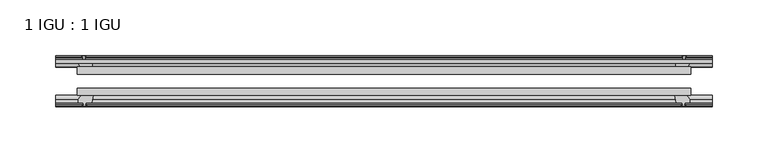
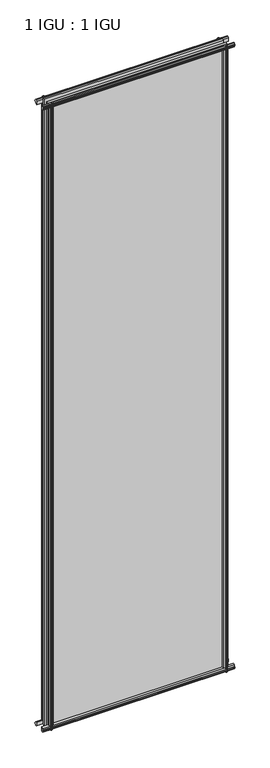
"""IFC4 building model written with IfcOpenShell, lengths in millimetres: plate geometry, 1 IGU : 1 IGU."""

from ifc_helpers import new_model, si_unit, frame, origin, place, context, project, spatial, polyline, outline, extrude, source, transform, mapped, element, save


def plate_1_igu_1_igu_fdf1e140(model_context):
    return source(origin(), model_context, "Body", "SweptSolid", [
        extrude(outline(polyline([(-273.8244096, -38.6468937), (273.8244096, -38.6468937), (273.8244096, -44.9460938), (-273.8244096, -44.9460938), (-273.8244096, -38.6468937)])), frame((0.0, 0.0, -12.7), z_axis=(0.0, 0.0, 1.0), x_axis=(1.0, 0.0, 0.0)), (0.0, 0.0, 1.0), 2019.2872996),
        extrude(outline(polyline([(-273.8244096, -19.5460937), (273.8244096, -19.5460937), (273.8244096, -25.8960938), (-273.8244096, -25.8960938), (-273.8244096, -19.5460937)])), frame((0.0, 0.0, -12.7), z_axis=(0.0, 0.0, 1.0), x_axis=(1.0, 0.0, 0.0)), (0.0, 0.0, 1.0), 2019.2872996),
        extrude(outline(polyline([(-44.9460937, 1.7177181), (-44.9460937, -9.1036578), (-48.3496937, -11.938), (-51.2960937, -11.938), (-51.2960937, -7.493), (-53.6762907, -7.112), (-53.2163575, -8.5275291), (-54.0175717, -8.5275291), (-54.7250937, -6.35), (-54.0175717, -4.1724709), (-53.2163575, -4.1724709), (-53.6762907, -5.588), (-51.2960937, -5.207), (-51.2960937, 0.0), (-44.9460937, 1.7177181)])), frame((-292.8744096, 0.0, 0.0), z_axis=(1.0, 0.0, 0.0), x_axis=(0.0, 1.0, 0.0)), (0.0, 0.0, 1.0), 585.7488192),
        extrude(outline(polyline([(-13.1960937, -12.4587), (-16.1424937, -12.4587), (-19.5460937, -9.6243578), (-19.5460937, 1.1970181), (-13.1960937, -0.5207), (-13.1960937, -5.7277), (-10.8158968, -6.1087), (-11.27583, -4.6931709), (-10.4746158, -4.6931709), (-9.7670937, -6.8707), (-10.4746158, -9.0482291), (-11.27583, -9.0482291), (-10.8158968, -7.6327), (-13.1960937, -8.0137), (-13.1960937, -12.4587)])), frame((-292.8744096, 0.0, 0.0), z_axis=(1.0, 0.0, 0.0), x_axis=(0.0, 1.0, 0.0)), (0.0, 0.0, 1.0), 585.7488192),
        extrude(outline(polyline([(-51.2960937, 2005.8252996), (-48.3496937, 2005.8252996), (-44.9460937, 2002.9909574), (-44.9460937, 1992.1695815), (-51.2960937, 1993.8872996), (-51.2960937, 1999.0942996), (-53.6762907, 1999.4752996), (-53.2163575, 1998.0597705), (-54.0175717, 1998.0597705), (-54.7250937, 2000.2372996), (-54.0175717, 2002.4148286), (-53.2163575, 2002.4148286), (-53.6762907, 2000.9992996), (-51.2960937, 2001.3802996), (-51.2960937, 2005.8252996)])), frame((-292.8744096, 0.0, 0.0), z_axis=(1.0, 0.0, 0.0), x_axis=(0.0, 1.0, 0.0)), (0.0, 0.0, 1.0), 585.7488192),
        extrude(outline(polyline([(-19.5460937, 1992.6902815), (-19.5460937, 2003.5116574), (-16.1424937, 2006.3459996), (-13.1960937, 2006.3459996), (-13.1960937, 2001.9009996), (-10.8158968, 2001.5199996), (-11.27583, 2002.9355286), (-10.4746158, 2002.9355286), (-9.7670937, 2000.7579996), (-10.4746158, 1998.5804705), (-11.27583, 1998.5804705), (-10.8158968, 1999.9959996), (-13.1960937, 1999.6149996), (-13.1960937, 1994.4079996), (-19.5460937, 1992.6902815)])), frame((-292.8744096, 0.0, 0.0), z_axis=(1.0, 0.0, 0.0), x_axis=(0.0, 1.0, 0.0)), (0.0, 0.0, 1.0), 585.7488192),
        extrude(outline(polyline([(259.9273915, -19.5460938), (261.6451096, -13.1960938), (266.8521096, -13.1960938), (267.2331096, -10.8158968), (265.8175805, -11.27583), (265.8175805, -10.4746158), (267.9951096, -9.7670938), (270.1726386, -10.4746158), (270.1726386, -11.27583), (268.7571096, -10.8158968), (269.1381096, -13.1960938), (273.5831096, -13.1960938), (273.5831096, -16.1424938), (270.7487674, -19.5460938), (259.9273915, -19.5460938)])), frame((0.0, 0.0, -12.7), z_axis=(0.0, 0.0, 1.0), x_axis=(1.0, 0.0, 0.0)), (0.0, 0.0, 1.0), 2019.2872997),
        extrude(outline(polyline([(259.4066915, -44.9460938), (270.2280674, -44.9460938), (273.0624096, -48.3496938), (273.0624096, -51.2960938), (268.6174096, -51.2960938), (268.2364096, -53.6762907), (269.6519386, -53.2163575), (269.6519386, -54.0175717), (267.4744096, -54.7250938), (265.2968805, -54.0175717), (265.2968805, -53.2163575), (266.7124096, -53.6762907), (266.3314096, -51.2960938), (261.1244096, -51.2960938), (259.4066915, -44.9460938)])), frame((0.0, 0.0, -12.7), z_axis=(0.0, 0.0, 1.0), x_axis=(1.0, 0.0, 0.0)), (0.0, 0.0, 1.0), 2019.2872997),
        extrude(outline(polyline([(-267.9951096, -9.7670937), (-265.8175805, -10.4746158), (-265.8175805, -11.27583), (-267.2331096, -10.8158968), (-266.8521096, -13.1960937), (-261.6451096, -13.1960937), (-259.9273915, -19.5460937), (-270.7487674, -19.5460937), (-273.5831096, -16.1424937), (-273.5831096, -13.1960937), (-269.1381096, -13.1960937), (-268.7571096, -10.8158968), (-270.1726386, -11.27583), (-270.1726386, -10.4746158), (-267.9951096, -9.7670937)])), frame((0.0, 0.0, -12.7), z_axis=(0.0, 0.0, 1.0), x_axis=(1.0, 0.0, 0.0)), (0.0, 0.0, 1.0), 2019.2872997),
        extrude(outline(polyline([(-273.0624096, -48.3496937), (-270.2280674, -44.9460937), (-259.4066915, -44.9460937), (-261.1244096, -51.2960937), (-266.3314096, -51.2960937), (-266.7124096, -53.6762907), (-265.2968805, -53.2163575), (-265.2968805, -54.0175717), (-267.4744096, -54.7250937), (-269.6519386, -54.0175717), (-269.6519386, -53.2163575), (-268.2364096, -53.6762907), (-268.6174096, -51.2960937), (-273.0624096, -51.2960937), (-273.0624096, -48.3496937)])), frame((0.0, 0.0, -12.7), z_axis=(0.0, 0.0, 1.0), x_axis=(1.0, 0.0, 0.0)), (0.0, 0.0, 1.0), 2019.2872997),
    ])


if __name__ == "__main__":
    model = new_model("IFC4")
    model_context = context("Model", 3, world=origin())
    ifc_project = project(units=[si_unit("LENGTHUNIT", "METRE", prefix="MILLI")], contexts=[model_context])
    site = spatial("IfcSite", under=ifc_project)
    building = spatial("IfcBuilding", under=site)
    placement = place(None, origin())
    plate_1_igu_1_igu_shape = plate_1_igu_1_igu_fdf1e140(model_context)
    element("IfcPlate", 1, ObjectType="1 IGU : 1 IGU", at=placement, inside=building, context=model_context, shape_type="MappedRepresentation", body=[
        mapped(plate_1_igu_1_igu_shape, transform((0.0, 0.0, 0.0), x_axis=(1.0, 0.0, 0.0), y_axis=(0.0, 1.0, 0.0), z_axis=(0.0, 0.0, 1.0))),
    ])
    save(model, "model.ifc")
